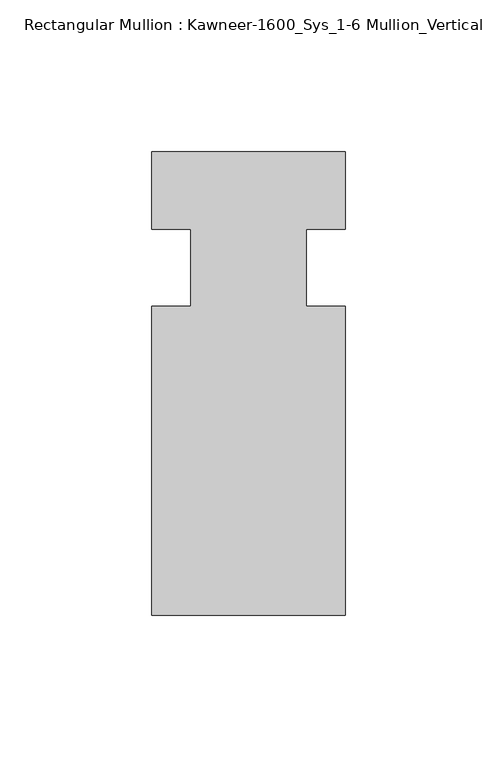
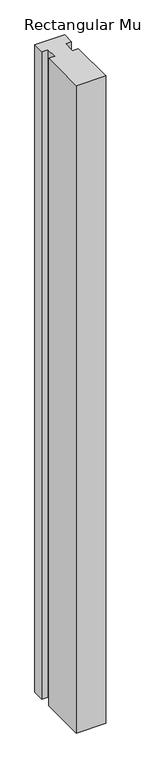
"""IFC4 building model written with IfcOpenShell, lengths in millimetres: member geometry, Rectangular Mullion : Kawneer-1600_Sys_1-6 Mullion_Vertical."""

from ifc_helpers import new_model, si_unit, frame, origin, place, context, project, spatial, polyline, outline, extrude, source, transform, mapped, element, save


def rectangular_mullion_kawneer_1600_sys_1_6_mullion_vertical_4eec4fc6(model_context):
    return source(origin(), model_context, "Body", "SweptSolid", [
        extrude(outline(polyline([(31.75, -114.3), (-31.75, -114.3), (-31.75, -12.7), (-19.05, -12.7), (-19.05, 12.7), (-31.75, 12.7), (-31.75, 38.1), (31.75, 38.1), (31.75, 12.7), (19.0482296, 12.7), (19.0482296, -12.7), (31.75, -12.7), (31.75, -114.3)])), frame((0.0, 0.0, -1463.04), z_axis=(0.0, 0.0, 1.0), x_axis=(1.0, 0.0, 0.0)), (0.0, 0.0, 1.0), 1463.04),
    ])


if __name__ == "__main__":
    model = new_model("IFC4")
    model_context = context("Model", 3, world=origin())
    ifc_project = project(units=[si_unit("LENGTHUNIT", "METRE", prefix="MILLI")], contexts=[model_context])
    site = spatial("IfcSite", under=ifc_project)
    building = spatial("IfcBuilding", under=site)
    placement = place(None, origin())
    rectangular_mullion_kawneer_1600_sys_1_6_mullion_vertical_shape = rectangular_mullion_kawneer_1600_sys_1_6_mullion_vertical_4eec4fc6(model_context)
    element("IfcMember", 1, ObjectType="Rectangular Mullion : Kawneer-1600_Sys_1-6 Mullion_Vertical", at=placement, inside=building, context=model_context, shape_type="MappedRepresentation", body=[
        mapped(rectangular_mullion_kawneer_1600_sys_1_6_mullion_vertical_shape, transform((0.0, 0.0, 0.0), x_axis=(1.0, 0.0, 0.0), y_axis=(0.0, 1.0, 0.0), z_axis=(0.0, 0.0, 1.0))),
    ])
    save(model, "model.ifc")
